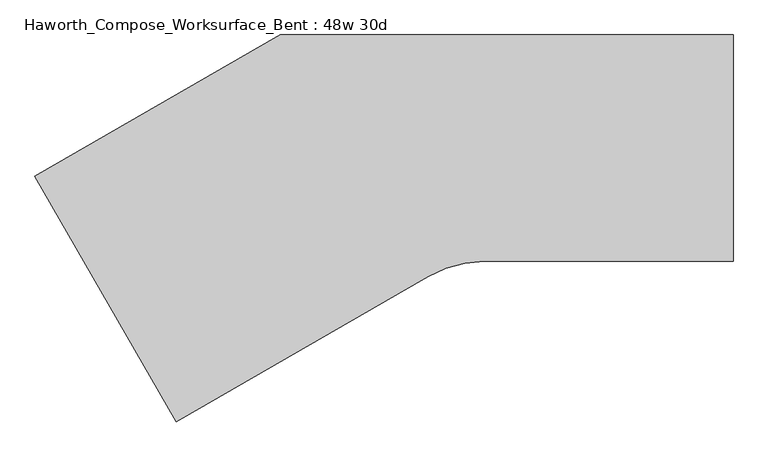
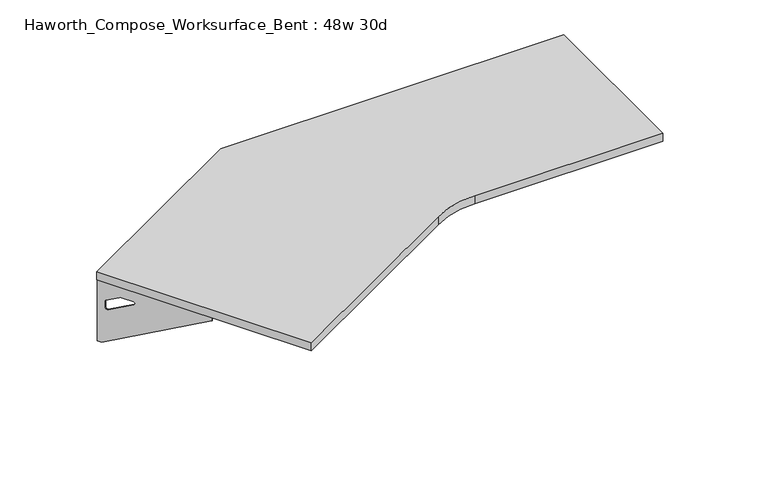
"""IFC4 building model written with IfcOpenShell, lengths in millimetres: furniture geometry, Haworth_Compose_Worksurface_Bent : 48w 30d."""

from ifc_helpers import new_model, si_unit, point, frame, frame_2d, origin, place, context, project, spatial, polyline, circle_curve, trimmed, segment, composite_curve, outline, extrude, source, transform, mapped, element, save
from ifc_brep_helpers import plane_surface, revolved_surface, advanced_brep


def haworth_compose_worksurface_bent_48w_30d_353f311a(model_context):
    return source(origin(), model_context, "Body", "SolidModel", [
        advanced_brep(
        [(451.64375, 304.8, 475.45625), (451.64375, 288.925, 475.45625), (451.64375, -101.6, 691.7192568), (451.64375, -101.6, 704.05625), (451.64375, 288.925, 704.05625), (451.64375, 304.8, 704.05625), (451.64375, 221.490072, 665.95625), (451.64375, 177.8355284, 665.95625), (451.64375, 175.1564235, 656.3705539), (451.64375, 266.8776173, 605.5776439), (451.64375, 276.225, 611.1756969), (451.64375, 276.225, 634.6860246), (451.64375, 274.4730055, 637.5242776), (451.64375, 224.5663437, 665.1613425), (454.025, 304.8, 475.45625), (454.025, 304.8, 704.05625), (454.025, 288.925, 704.05625), (454.025, 288.925, 706.4375), (454.025, -101.6, 706.4375), (454.025, -101.6, 691.7192568), (454.025, 288.925, 475.45625), (454.025, 221.490072, 665.95625), (454.025, 224.5663437, 665.1613425), (454.025, 274.4730055, 637.5242776), (454.025, 276.225, 634.6860246), (454.025, 276.225, 611.1756969), (454.025, 266.8776173, 605.5776439), (454.025, 175.1564235, 656.3705539), (454.025, 177.8355284, 665.95625), (412.75, -101.6, 706.4375), (412.75, -101.6, 704.05625), (412.75, 288.925, 704.05625), (412.75, 288.925, 706.4375)],
        [
            (0, 1),
            (1, 2),
            (2, 3),
            (3, 4),
            (4, 5),
            (5, 0),
            (6, 7),
            (7, 8, circle_curve(frame((451.64375, 177.8355284, 660.7890106), z_axis=(1.0, 0.0, 0.0), x_axis=(0.0, -1.0, 0.0)), 5.1672394)),
            (8, 9),
            (9, 10, circle_curve(frame((451.64375, 269.875, 611.1756969), z_axis=(1.0, 0.0, 0.0), x_axis=(0.0, -1.0, 0.0)), 6.35)),
            (10, 11),
            (11, 12, circle_curve(frame((451.64375, 273.05, 634.6860246), z_axis=(1.0, 0.0, 0.0), x_axis=(0.0, -1.0, 0.0)), 3.175)),
            (12, 13),
            (13, 6, circle_curve(frame((451.64375, 221.490072, 659.60625), z_axis=(1.0, 0.0, 0.0), x_axis=(0.0, -1.0, 0.0)), 6.35)),
            (14, 15),
            (15, 16),
            (16, 17),
            (17, 18),
            (18, 19),
            (19, 20),
            (20, 14),
            (21, 22, circle_curve(frame((454.025, 221.490072, 659.60625), z_axis=(-1.0, 0.0, 0.0), x_axis=(0.0, -1.0, 0.0)), 6.35)),
            (22, 23),
            (23, 24, circle_curve(frame((454.025, 273.05, 634.6860246), z_axis=(-1.0, 0.0, 0.0), x_axis=(0.0, -1.0, 0.0)), 3.175)),
            (24, 25),
            (25, 26, circle_curve(frame((454.025, 269.875, 611.1756969), z_axis=(-1.0, 0.0, 0.0), x_axis=(0.0, -1.0, 0.0)), 6.35)),
            (26, 27),
            (27, 28, circle_curve(frame((454.025, 177.8355284, 660.7890106), z_axis=(-1.0, 0.0, 0.0), x_axis=(0.0, -1.0, 0.0)), 5.1672394)),
            (28, 21),
            (4, 16),
            (15, 5),
            (14, 0),
            (20, 1),
            (19, 2),
            (18, 29),
            (29, 30),
            (30, 3),
            (6, 21),
            (28, 7),
            (9, 26),
            (25, 10),
            (24, 11),
            (23, 12),
            (27, 8),
            (31, 4),
            (30, 31),
            (32, 29),
            (17, 32),
            (31, 32),
            (22, 13),
        ],
        [
            plane_surface(frame((451.64375, 304.8, 475.45625), z_axis=(-1.0, 0.0, 0.0), x_axis=(0.0, 1.0, 0.0))),
            plane_surface(frame((454.025, 304.8, 475.45625), z_axis=(1.0, 0.0, 0.0), x_axis=(0.0, -1.0, 0.0))),
            plane_surface(frame((454.025, -101.6, 704.05625), z_axis=(0.0, 0.0, 1.0), x_axis=(-1.0, 0.0, 0.0))),
            plane_surface(frame((454.025, 304.8, 704.05625), z_axis=(0.0, 1.0, 0.0), x_axis=(-1.0, 0.0, 0.0))),
            plane_surface(frame((454.025, 304.8, 475.45625), z_axis=(0.0, 0.0, -1.0), x_axis=(-1.0, 0.0, 0.0))),
            plane_surface(frame((454.025, 288.925, 475.45625), z_axis=(0.0, -0.48445223513455843, -0.8748177135112952), x_axis=(-1.0, 0.0, 0.0))),
            plane_surface(frame((454.025, -101.6, 691.7192568), z_axis=(0.0, -1.0, 0.0), x_axis=(-1.0, 0.0, 0.0))),
            plane_surface(frame((454.025, 221.490072, 665.95625), z_axis=(0.0, 0.0, -1.0), x_axis=(-1.0, 0.0, 0.0))),
            revolved_surface(polyline([(451.64375, 263.525, 611.1756969), (454.025, 263.525, 611.1756969)]), (454.025, 269.875, 611.1756969), (-1.0, 0.0, 0.0)),
            plane_surface(frame((454.025, 276.225, 611.1756969), z_axis=(0.0, -1.0, 0.0), x_axis=(-1.0, 0.0, 0.0))),
            revolved_surface(polyline([(451.64375, 269.875, 634.6860246), (454.025, 269.875, 634.6860246)]), (454.025, 273.05, 634.6860246), (-1.0, 0.0, 0.0)),
            revolved_surface(polyline([(451.64375, 172.668289, 660.7890106), (454.025, 172.668289, 660.7890106)]), (454.025, 177.8355284, 660.7890106), (-1.0, 0.0, 0.0)),
            plane_surface(frame((454.025, 288.925, 704.05625), z_axis=(0.0, 0.0, -1.0), x_axis=(-1.0, 0.0, 0.0))),
            plane_surface(frame((454.025, 288.925, 706.4375), z_axis=(0.0, 0.0, 1.0), x_axis=(1.0, 0.0, 0.0))),
            plane_surface(frame((412.75, 288.925, 706.4375), z_axis=(0.0, 1.0, 0.0), x_axis=(0.0, 0.0, -1.0))),
            plane_surface(frame((412.75, -101.6, 706.4375), z_axis=(-1.0, 0.0, 0.0), x_axis=(0.0, 0.0, -1.0))),
            plane_surface(frame((454.025, 175.1564235, 656.3705539), z_axis=(0.0, 0.4844522351345583, 0.8748177135112953), x_axis=(-1.0, 0.0, 0.0))),
            plane_surface(frame((454.025, 274.4730055, 637.5242776), z_axis=(0.0, -0.4844522351345582, -0.8748177135112953), x_axis=(-1.0, 0.0, 0.0))),
            revolved_surface(polyline([(451.64375, 215.140072, 659.60625), (454.025, 215.140072, 659.60625)]), (454.025, 221.490072, 659.60625), (-1.0, 0.0, 0.0)),
        ],
        [
            (0, [[1, 2, 3, 4, 5, 6], [7, 8, 9, 10, 11, 12, 13, 14]]),
            (1, [[15, 16, 17, 18, 19, 20, 21], [22, 23, 24, 25, 26, 27, 28, 29]]),
            (2, [[-5, 30, -16, 31]]),
            (3, [[-31, -15, 32, -6]]),
            (4, [[-32, -21, 33, -1]]),
            (5, [[-33, -20, 34, -2]]),
            (6, [[-34, -19, 35, 36, 37, -3]]),
            (7, [[38, -29, 39, -7]]),
            (8, [[40, -26, 41, -10]]),
            (9, [[-41, -25, 42, -11]]),
            (10, [[-42, -24, 43, -12]]),
            (11, [[-39, -28, 44, -8]]),
            (12, [[45, -4, -37, 46]]),
            (13, [[47, -35, -18, 48]]),
            (14, [[-17, -30, -45, 49, -48]]),
            (15, [[-36, -47, -49, -46]]),
            (16, [[-44, -27, -40, -9]]),
            (17, [[-43, -23, 50, -13]]),
            (18, [[-50, -22, -38, -14]]),
        ],
    ),
        advanced_brep(
        [(-1417.099504, -73.421875, 475.45625), (-1417.099504, -73.421875, 704.05625), (-1409.162004, -87.1700283, 704.05625), (-1213.899504, -425.3745991, 704.05625), (-1213.899504, -425.3745991, 691.7192568), (-1409.162004, -87.1700283, 475.45625), (-1375.44454, -145.570389, 665.95625), (-1376.9826759, -142.9062596, 665.1613425), (-1401.9360068, -99.6858226, 637.5242776), (-1402.812004, -98.1685509, 634.6860246), (-1402.812004, -98.1685509, 611.1756969), (-1398.1383127, -106.2636218, 605.5776439), (-1352.2777158, -185.6965057, 656.3705539), (-1353.6172682, -183.3763328, 665.95625), (-1419.161727, -74.6125, 475.45625), (-1411.224227, -88.3606533, 475.45625), (-1215.961727, -426.5652241, 691.7192568), (-1215.961727, -426.5652241, 706.4375), (-1411.224227, -88.3606533, 706.4375), (-1411.224227, -88.3606533, 704.05625), (-1419.161727, -74.6125, 704.05625), (-1377.506763, -146.761014, 665.95625), (-1355.6794912, -184.5669578, 665.95625), (-1354.3399388, -186.8871307, 656.3705539), (-1400.2005357, -107.4542468, 605.5776439), (-1404.874227, -99.3591759, 611.1756969), (-1404.874227, -99.3591759, 634.6860246), (-1403.9982298, -100.8764476, 637.5242776), (-1379.0448989, -144.0968846, 665.1613425), (-1180.2165285, -405.9277241, 704.05625), (-1180.2165285, -405.9277241, 706.4375), (-1375.4790285, -67.7231533, 704.05625), (-1375.4790285, -67.7231533, 706.4375)],
        [
            (0, 1),
            (1, 2),
            (2, 3),
            (3, 4),
            (4, 5),
            (5, 0),
            (6, 7, circle_curve(frame((-1375.44454, -145.570389, 659.60625), z_axis=(-0.8660254037844367, -0.5000000000000036, 0.0), x_axis=(0.5000000000000034, -0.8660254037844365, 0.0)), 6.35)),
            (7, 8),
            (8, 9, circle_curve(frame((-1401.224504, -100.9181816, 634.6860246), z_axis=(-0.8660254037844367, -0.5000000000000036, 0.0), x_axis=(0.5000000000000034, -0.8660254037844365, 0.0)), 3.175)),
            (9, 10),
            (10, 11, circle_curve(frame((-1399.637004, -103.6678122, 611.1756969), z_axis=(-0.8660254037844367, -0.5000000000000036, 0.0), x_axis=(0.5000000000000034, -0.8660254037844365, 0.0)), 6.35)),
            (11, 12),
            (12, 13, circle_curve(frame((-1353.6172682, -183.3763328, 660.7890106), z_axis=(-0.8660254037844367, -0.5000000000000036, 0.0), x_axis=(0.5000000000000034, -0.8660254037844365, 0.0)), 5.1672394)),
            (13, 6),
            (14, 15),
            (15, 16),
            (16, 17),
            (17, 18),
            (18, 19),
            (19, 20),
            (20, 14),
            (21, 22),
            (22, 23, circle_curve(frame((-1355.6794912, -184.5669578, 660.7890106), z_axis=(0.8660254037844367, 0.5000000000000036, 0.0), x_axis=(0.5000000000000034, -0.8660254037844365, 0.0)), 5.1672394)),
            (23, 24),
            (24, 25, circle_curve(frame((-1401.699227, -104.8584372, 611.1756969), z_axis=(0.8660254037844367, 0.5000000000000036, 0.0), x_axis=(0.5000000000000034, -0.8660254037844365, 0.0)), 6.35)),
            (25, 26),
            (26, 27, circle_curve(frame((-1403.286727, -102.1088066, 634.6860246), z_axis=(0.8660254037844367, 0.5000000000000036, 0.0), x_axis=(0.5000000000000034, -0.8660254037844365, 0.0)), 3.175)),
            (27, 28),
            (28, 21, circle_curve(frame((-1377.506763, -146.761014, 659.60625), z_axis=(0.8660254037844367, 0.5000000000000036, 0.0), x_axis=(0.5000000000000034, -0.8660254037844365, 0.0)), 6.35)),
            (1, 20),
            (19, 2),
            (0, 14),
            (5, 15),
            (4, 16),
            (3, 29),
            (29, 30),
            (30, 17),
            (13, 22),
            (21, 6),
            (10, 25),
            (24, 11),
            (9, 26),
            (8, 27),
            (12, 23),
            (31, 29),
            (2, 31),
            (32, 18),
            (30, 32),
            (32, 31),
            (7, 28),
        ],
        [
            plane_surface(frame((-1417.099504, -73.421875, 475.45625), z_axis=(0.8660254037844367, 0.5000000000000036, 0.0), x_axis=(-0.5000000000000036, 0.8660254037844367, 0.0))),
            plane_surface(frame((-1419.161727, -74.6125, 475.45625), z_axis=(-0.8660254037844367, -0.5000000000000036, 0.0), x_axis=(0.5000000000000036, -0.8660254037844367, 0.0))),
            plane_surface(frame((-1215.961727, -426.5652241, 704.05625), z_axis=(0.0, 0.0, 1.0), x_axis=(0.8660254037844358, 0.500000000000005, 0.0))),
            plane_surface(frame((-1419.161727, -74.6125, 704.05625), z_axis=(-0.500000000000005, 0.8660254037844358, 0.0), x_axis=(0.8660254037844358, 0.500000000000005, 0.0))),
            plane_surface(frame((-1419.161727, -74.6125, 475.45625), z_axis=(0.0, 0.0, -1.0), x_axis=(0.8660254037844358, 0.500000000000005, 0.0))),
            plane_surface(frame((-1411.224227, -88.3606533, 475.45625), z_axis=(0.24222611756728163, -0.41954794254667843, -0.8748177135112951), x_axis=(0.8660254037844358, 0.500000000000005, 0.0))),
            plane_surface(frame((-1215.961727, -426.5652241, 691.7192568), z_axis=(0.500000000000005, -0.8660254037844358, 0.0), x_axis=(0.8660254037844358, 0.500000000000005, 0.0))),
            plane_surface(frame((-1377.506763, -146.761014, 665.95625), z_axis=(0.0, 0.0, -1.0), x_axis=(0.8660254037844358, 0.500000000000005, 0.0))),
            revolved_surface(polyline([(-1396.4620040018096, -109.16707351089683, 611.1756969), (-1398.5242270534939, -110.3576985449158, 611.1756969)]), (-1401.699227, -104.8584372, 611.1756969), (0.8660254037844365, 0.5000000000000034, 0.0)),
            plane_surface(frame((-1404.874227, -99.3591759, 611.1756969), z_axis=(0.500000000000005, -0.8660254037844358, 0.0), x_axis=(0.8660254037844358, 0.500000000000005, 0.0))),
            revolved_surface(polyline([(-1399.6370039831966, -103.66781224313517, 634.6860246), (-1401.6992269999998, -104.85843725701558, 634.6860246)]), (-1403.286727, -102.1088066, 634.6860246), (0.8660254037844365, 0.5000000000000034, 0.0)),
            revolved_surface(polyline([(-1351.0336485018095, -187.8512933847015, 660.7890106), (-1353.095871536286, -189.04191840878565, 660.7890106)]), (-1355.6794912, -184.5669578, 660.7890106), (0.8660254037844365, 0.5000000000000034, 0.0)),
            plane_surface(frame((-1411.224227, -88.3606533, 704.05625), z_axis=(0.0, 0.0, -1.0), x_axis=(0.866025403784437, 0.5000000000000029, 0.0))),
            plane_surface(frame((-1411.224227, -88.3606533, 706.4375), z_axis=(0.0, 0.0, 1.0), x_axis=(-0.866025403784437, -0.5000000000000029, 0.0))),
            plane_surface(frame((-1375.4790285, -67.7231533, 706.4375), z_axis=(-0.5000000000000029, 0.866025403784437, 0.0), x_axis=(0.0, 0.0, -1.0))),
            plane_surface(frame((-1180.2165285, -405.9277241, 706.4375), z_axis=(0.8660254037844367, 0.5000000000000036, 0.0), x_axis=(0.0, 0.0, -1.0))),
            plane_surface(frame((-1354.3399388, -186.8871307, 656.3705539), z_axis=(-0.24222611756728157, 0.4195479425466783, 0.8748177135112953), x_axis=(0.8660254037844358, 0.500000000000005, 0.0))),
            plane_surface(frame((-1403.9982298, -100.8764476, 637.5242776), z_axis=(0.24222611756728155, -0.41954794254667827, -0.8748177135112954), x_axis=(0.8660254037844358, 0.500000000000005, 0.0))),
            revolved_surface(polyline([(-1372.2695400018097, -151.06965031089683, 659.60625), (-1374.3317630553156, -152.2602753459675, 659.60625)]), (-1377.506763, -146.761014, 659.60625), (0.8660254037844365, 0.5000000000000034, 0.0)),
        ],
        [
            (0, [[1, 2, 3, 4, 5, 6], [7, 8, 9, 10, 11, 12, 13, 14]]),
            (1, [[15, 16, 17, 18, 19, 20, 21], [22, 23, 24, 25, 26, 27, 28, 29]]),
            (2, [[30, -20, 31, -2]]),
            (3, [[-1, 32, -21, -30]]),
            (4, [[-6, 33, -15, -32]]),
            (5, [[-5, 34, -16, -33]]),
            (6, [[-4, 35, 36, 37, -17, -34]]),
            (7, [[-14, 38, -22, 39]]),
            (8, [[-11, 40, -25, 41]]),
            (9, [[-10, 42, -26, -40]]),
            (10, [[-9, 43, -27, -42]]),
            (11, [[-13, 44, -23, -38]]),
            (12, [[45, -35, -3, 46]]),
            (13, [[47, -18, -37, 48]]),
            (14, [[-47, 49, -46, -31, -19]]),
            (15, [[-45, -49, -48, -36]]),
            (16, [[-12, -41, -24, -44]]),
            (17, [[-8, 50, -28, -43]]),
            (18, [[-7, -39, -29, -50]]),
        ],
    ),
        extrude(outline(composite_curve([segment(polyline([(-762.0, 304.8), (457.2, 304.8), (457.2, -304.8), (-212.1872584, -304.8)]), True, "CONTINUOUS"), segment(trimmed(circle_curve(frame_2d((-212.1872584, -609.6)), 304.8), [point((-212.1872584, -304.8))], [point((-364.5872584, -345.6354569))], True, "CARTESIAN"), True, "CONTINUOUS"), segment(polyline([(-364.5872584, -345.6354569), (-1040.9113577, -736.1113577), (-1421.9113577, -76.2), (-762.0, 304.8)]), True, "CONTINUOUS")], self_intersect=False)), frame((0.0, 0.0, 706.4375), z_axis=(0.0, 0.0, 1.0), x_axis=(1.0, 0.0, 0.0)), (0.0, 0.0, 1.0), 30.1625),
    ])


if __name__ == "__main__":
    model = new_model("IFC4")
    model_context = context("Model", 3, world=origin())
    ifc_project = project(units=[si_unit("LENGTHUNIT", "METRE", prefix="MILLI")], contexts=[model_context])
    site = spatial("IfcSite", under=ifc_project)
    building = spatial("IfcBuilding", under=site)
    placement = place(None, origin())
    haworth_compose_worksurface_bent_48w_30d_shape = haworth_compose_worksurface_bent_48w_30d_353f311a(model_context)
    element("IfcFurniture", 1, ObjectType="Haworth_Compose_Worksurface_Bent : 48w 30d", at=placement, inside=building, context=model_context, shape_type="MappedRepresentation", body=[
        mapped(haworth_compose_worksurface_bent_48w_30d_shape, transform((0.0, 0.0, 0.0), x_axis=(1.0, 0.0, 0.0), y_axis=(0.0, 1.0, 0.0), z_axis=(0.0, 0.0, 1.0))),
    ])
    save(model, "model.ifc")
